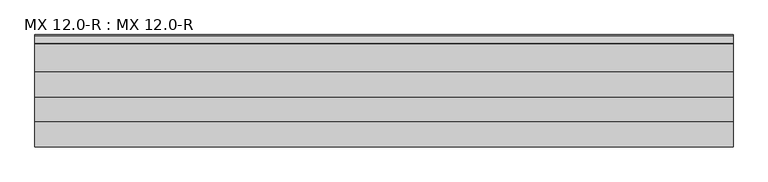
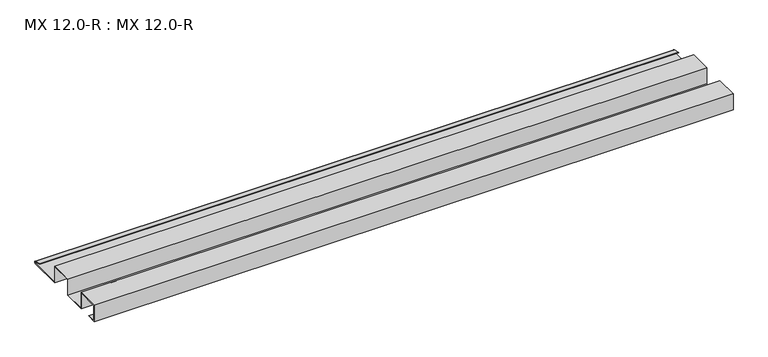
"""IFC4 building model written with IfcOpenShell, lengths in millimetres: proxy geometry, MX 12.0-R : MX 12.0-R."""

from ifc_helpers import new_model, si_unit, point, frame, frame_2d, origin, place, context, project, spatial, polyline, circle_curve, trimmed, segment, composite_curve, outline, extrude, source, transform, mapped, element, save


def mx_12_0_r_mx_12_0_r_1f158fed(model_context):
    return source(origin(), model_context, "Body", "SweptSolid", [
        extrude(outline(composite_curve([segment(trimmed(circle_curve(frame_2d((221.9700946, 2.4215767)), 3.0361691), [point((223.163909, 5.2131944))], [point((222.7963586, -0.5))], False, "CARTESIAN"), True, "CONTINUOUS"), segment(polyline([(222.7963586, -0.5), (149.0, -0.5), (149.0, 37.0), (101.0, 37.0), (101.0, 0.0), (49.0, 0.0), (49.0, 37.0), (1.0, 37.0), (1.0, 1.5), (21.5, 1.5), (21.5, 0.5), (0.0, 0.5), (0.0, 38.0), (50.0, 38.0), (50.0, 1.0), (100.0, 1.0), (100.0, 38.0), (150.0, 38.0), (150.0, 0.5), (222.6835104, 0.5)]), True, "CONTINUOUS"), segment(trimmed(circle_curve(frame_2d((221.9419644, 2.4153551)), 2.0538928), [point((222.6835104, 0.5))], [point((222.807341, 4.278041))], True, "CARTESIAN"), True, "CONTINUOUS"), segment(polyline([(222.807341, 4.278041), (207.1307182, 7.2866995), (207.4140687, 8.2359048), (223.163909, 5.2131944)]), True, "CONTINUOUS")], self_intersect=False)), frame((0.0, 0.0, 0.0), z_axis=(1.0, 0.0, 0.0), x_axis=(0.0, 1.0, 0.0)), (0.0, 0.0, 1.0), 1400.0),
    ])


if __name__ == "__main__":
    model = new_model("IFC4")
    model_context = context("Model", 3, world=origin())
    ifc_project = project(units=[si_unit("LENGTHUNIT", "METRE", prefix="MILLI")], contexts=[model_context])
    site = spatial("IfcSite", under=ifc_project)
    building = spatial("IfcBuilding", under=site)
    placement = place(None, origin())
    mx_12_0_r_mx_12_0_r_shape = mx_12_0_r_mx_12_0_r_1f158fed(model_context)
    element("IfcBuildingElementProxy", 1, Name="MX 12.0-R : MX 12.0-R", ObjectType="MX 12.0-R : MX 12.0-R", at=placement, inside=building, context=model_context, shape_type="MappedRepresentation", body=[
        mapped(mx_12_0_r_mx_12_0_r_shape, transform((0.0, 0.0, 0.0), x_axis=(1.0, 0.0, 0.0), y_axis=(0.0, 1.0, 0.0), z_axis=(0.0, 0.0, 1.0))),
    ])
    save(model, "model.ifc")
